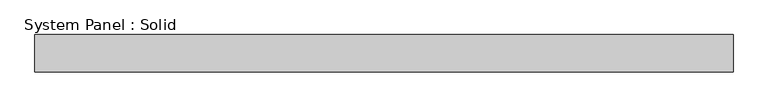
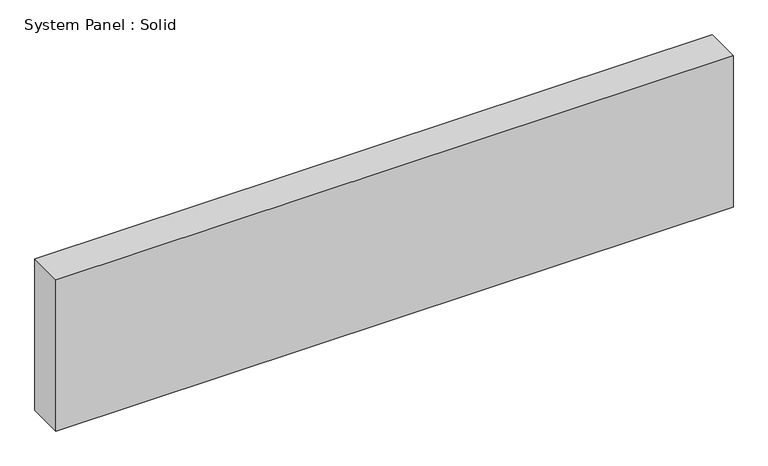
"""IFC4 building model written with IfcOpenShell, lengths in millimetres: plate geometry, System Panel : Solid."""

from ifc_helpers import new_model, si_unit, origin, origin_with_axes, place, context, project, spatial, polyline, outline, extrude, source, transform, mapped, element, save


def system_panel_solid_1e207c9c(model_context):
    return source(origin(), model_context, "Body", "SweptSolid", [
        extrude(outline(polyline([(590.55, -44.45), (-590.55, -44.45), (-590.55, 19.05), (590.55, 19.05), (590.55, -44.45)])), origin_with_axes(), (0.0, 0.0, 1.0), 279.4),
    ])


if __name__ == "__main__":
    model = new_model("IFC4")
    model_context = context("Model", 3, world=origin())
    ifc_project = project(units=[si_unit("LENGTHUNIT", "METRE", prefix="MILLI")], contexts=[model_context])
    site = spatial("IfcSite", under=ifc_project)
    building = spatial("IfcBuilding", under=site)
    placement = place(None, origin())
    system_panel_solid_shape = system_panel_solid_1e207c9c(model_context)
    element("IfcPlate", 1, ObjectType="System Panel : Solid", at=placement, inside=building, context=model_context, shape_type="MappedRepresentation", body=[
        mapped(system_panel_solid_shape, transform((0.0, 0.0, 0.0), x_axis=(1.0, 0.0, 0.0), y_axis=(0.0, 1.0, 0.0), z_axis=(0.0, 0.0, 1.0))),
    ])
    save(model, "model.ifc")
